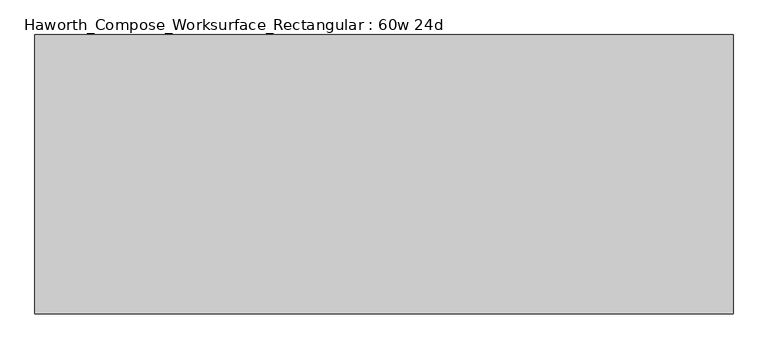
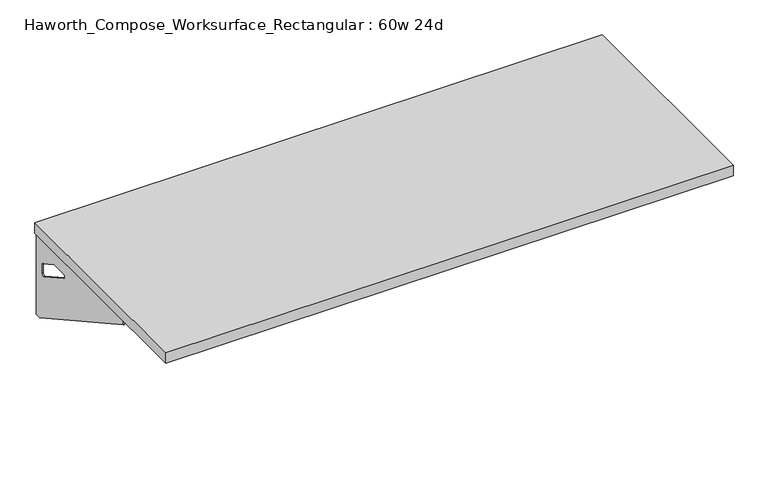
"""IFC4 building model written with IfcOpenShell, lengths in millimetres: furniture geometry, Haworth_Compose_Worksurface_Rectangular : 60w 24d."""

import ifcopenshell
import ifcopenshell.guid

model = None  # the IFC model being written
_history = None  # IfcOwnerHistory: only IFC2X3 demands one
_inside = {}  # id of a spatial element -> (the spatial element, [elements in it])
_under = {}  # id of a project, library or spatial element -> (it, [spatial elements below it])
_declared = {}  # id of a project -> (the project, [libraries it declares])
_typed = {}  # id of a type object -> (the type object, [elements of that type])
_made_of = {}  # id of a material, layer set ... -> (it, [elements and type objects made of it])


def new_model(schema):
    """Start an empty IFC model of exactly this schema.

    Asked for "IFC4X3", IfcOpenShell would pick the latest addendum, in which some entities
    have other attributes; the version numbers below select the first issue.
    IFC2X3 requires an IfcOwnerHistory on every rooted entity: one is made here for all.
    """
    global model, _history
    if schema == "IFC4X3":
        model = ifcopenshell.file(schema_version=(4, 3, 0, 0))
    else:
        model = ifcopenshell.file(schema=schema)
    _inside.clear()
    _under.clear()
    _declared.clear()
    _typed.clear()
    _made_of.clear()
    _history = None
    if model.schema == "IFC2X3":
        org = make("IfcOrganization", Name="unknown")
        user = make(
            "IfcPersonAndOrganization",
            ThePerson=make("IfcPerson", FamilyName="unknown"),
            TheOrganization=org,
        )
        app = make(
            "IfcApplication",
            ApplicationDeveloper=org,
            Version="unknown",
            ApplicationFullName="unknown",
            ApplicationIdentifier="unknown",
        )
        _history = make(
            "IfcOwnerHistory",
            OwningUser=user,
            OwningApplication=app,
            ChangeAction="ADDED",
            CreationDate=0,
        )
    return model


def make(cls, **values):
    """One entity of the class cls with the attributes given. An attribute that is None is left unset."""
    return model.create_entity(
        cls, **{name: value for name, value in values.items() if value is not None}
    )


def rooted(cls, **values):
    """An entity with a GlobalId (a new one), such as an element, a storey or a relation."""
    return make(cls, GlobalId=ifcopenshell.guid.new(), OwnerHistory=_history, **values)


def si_unit(unit_type, name, prefix=None):
    """IfcSIUnit, for example si_unit("LENGTHUNIT", "METRE", prefix="MILLI")."""
    return make("IfcSIUnit", UnitType=unit_type, Prefix=prefix, Name=name)


def assignment(units):
    """IfcUnitAssignment: the units of a project."""
    return None if units is None else make("IfcUnitAssignment", Units=units)


def point(xyz):
    """IfcCartesianPoint."""
    return None if xyz is None else make("IfcCartesianPoint", Coordinates=xyz)


def direction(xyz):
    """IfcDirection."""
    return None if xyz is None else make("IfcDirection", DirectionRatios=xyz)


def frame(location, z_axis=None, x_axis=None):
    """IfcAxis2Placement3D, a coordinate frame: its origin and axes. An axis left out is left unset."""
    return make(
        "IfcAxis2Placement3D",
        Location=point(location),
        Axis=direction(z_axis),
        RefDirection=direction(x_axis),
    )


def origin():
    """The frame at (0, 0, 0) with its axes left unset."""
    return frame((0.0, 0.0, 0.0))


def place(relative_to, where):
    """IfcLocalPlacement: puts the frame where relative to a parent placement (None: the world)."""
    return make(
        "IfcLocalPlacement", PlacementRelTo=relative_to, RelativePlacement=where
    )


def context(
    kind, dimensions, precision=None, world=None, true_north=None, identifier=None
):
    """IfcGeometricRepresentationContext, for example the 3D "Model" context."""
    return make(
        "IfcGeometricRepresentationContext",
        ContextIdentifier=identifier,
        ContextType=kind,
        CoordinateSpaceDimension=dimensions,
        Precision=precision,
        WorldCoordinateSystem=world,
        TrueNorth=true_north,
    )


def project(units=None, contexts=None):
    """IfcProject with its units and contexts."""
    return rooted(
        "IfcProject",
        Name="project",
        RepresentationContexts=contexts,
        UnitsInContext=assignment(units),
    )


def spatial(cls, under=None, at=None, **own):
    """A site, building, storey or space (cls), placed at a placement, below another one or the project."""
    s = rooted(cls, ObjectPlacement=at, **own)
    if under is not None:
        _under.setdefault(under.id(), (under, []))[1].append(s)
    return s


def polyline(points):
    """IfcPolyline through the points."""
    return make("IfcPolyline", Points=[point(p) for p in points])


def circle_curve(where, radius):
    """IfcCircle in the frame where."""
    return make("IfcCircle", Position=where, Radius=radius)


def outline(outer, holes=None, kind="AREA"):
    """IfcArbitraryClosedProfileDef: a profile drawn as a closed curve; with holes, ...WithVoids."""
    if holes is None:
        return make("IfcArbitraryClosedProfileDef", ProfileType=kind, OuterCurve=outer)
    return make(
        "IfcArbitraryProfileDefWithVoids",
        ProfileType=kind,
        OuterCurve=outer,
        InnerCurves=holes,
    )


def extrude(swept, where, along, depth):
    """IfcExtrudedAreaSolid: the profile swept, set in the frame where, extruded along a direction by depth."""
    return make(
        "IfcExtrudedAreaSolid",
        SweptArea=swept,
        Position=where,
        ExtrudedDirection=direction(along),
        Depth=depth,
    )


def shape(context_of_items, identifier, shape_type, items):
    """IfcShapeRepresentation: the items that make up one representation, for example the "Body"."""
    return make(
        "IfcShapeRepresentation",
        ContextOfItems=context_of_items,
        RepresentationIdentifier=identifier,
        RepresentationType=shape_type,
        Items=items,
    )


def source(mapping_origin, context_of_items, identifier, shape_type, items):
    """IfcRepresentationMap: a shape defined once, which mapped items show again and again."""
    return make(
        "IfcRepresentationMap",
        MappingOrigin=mapping_origin,
        MappedRepresentation=shape(context_of_items, identifier, shape_type, items),
    )


def transform(
    local_origin,
    x_axis=None,
    y_axis=None,
    z_axis=None,
    scale=None,
    scale2=None,
    scale3=None,
    uniform=True,
):
    """IfcCartesianTransformationOperator3D, or its non-uniform kind. x_axis, y_axis, z_axis: its Axis1, 2, 3."""
    if uniform:
        return make(
            "IfcCartesianTransformationOperator3D",
            Axis1=direction(x_axis),
            Axis2=direction(y_axis),
            LocalOrigin=point(local_origin),
            Scale=scale,
            Axis3=direction(z_axis),
        )
    return make(
        "IfcCartesianTransformationOperator3DnonUniform",
        Axis1=direction(x_axis),
        Axis2=direction(y_axis),
        LocalOrigin=point(local_origin),
        Scale=scale,
        Axis3=direction(z_axis),
        Scale2=scale2,
        Scale3=scale3,
    )


def mapped(mapping_source, mapping_target):
    """IfcMappedItem: shows the shape of a source again, moved by a transform."""
    return make(
        "IfcMappedItem", MappingSource=mapping_source, MappingTarget=mapping_target
    )


def made_of(thing, what):
    """Note that an element or type object is made of a material, layer set ...; save() writes the relation."""
    if what is not None:
        _made_of.setdefault(what.id(), (what, []))[1].append(thing)
    return thing


def element(
    cls,
    number,
    at=None,
    inside=None,
    cuts=None,
    type_object=None,
    material=None,
    context=None,
    identifier="Body",
    shape_type=None,
    held_by="IfcProductDefinitionShape",
    body=None,
    shapes=None,
    **own,
):
    """One element of the class cls, such as IfcWall. Its Tag is "e" and its number.

    at: its placement. inside: the storey or other place that contains it. cuts: it is an
    opening in that element (IfcRelVoidsElement). A single representation is given by context,
    identifier, shape_type and body (its items); several are given by shapes. held_by: the class
    of the entity that holds the representations. save() writes the other relations.
    """
    e = rooted(cls, Tag="e%d" % number, ObjectPlacement=at, **own)
    if body is not None:
        shapes = [shape(context, identifier, shape_type, body)]
    if shapes is not None:
        e.Representation = make(held_by, Representations=shapes)
    if inside is not None:
        _inside.setdefault(inside.id(), (inside, []))[1].append(e)
    if cuts is not None:
        rooted(
            "IfcRelVoidsElement", RelatingBuildingElement=cuts, RelatedOpeningElement=e
        )
    if type_object is not None:
        _typed.setdefault(type_object.id(), (type_object, []))[1].append(e)
    return made_of(e, material)


def aggregate(whole, parts):
    """IfcRelAggregates: a whole, such as a stair, and the parts it consists of."""
    return rooted("IfcRelAggregates", RelatingObject=whole, RelatedObjects=parts)


def save(model, path):
    """Write the relations noted so far, then the file.

    IfcRelAggregates (storeys below a building ...), IfcRelContainedInSpatialStructure (elements
    in a storey), IfcRelDefinesByType, IfcRelAssociatesMaterial and IfcRelDeclares: one each for
    every whole, place, type object, material and project.
    """
    for whole, parts in _under.values():
        aggregate(whole, parts)
    for where, things in _inside.values():
        rooted(
            "IfcRelContainedInSpatialStructure",
            RelatedElements=things,
            RelatingStructure=where,
        )
    for kind, things in _typed.values():
        rooted("IfcRelDefinesByType", RelatedObjects=things, RelatingType=kind)
    for what, things in _made_of.values():
        rooted("IfcRelAssociatesMaterial", RelatedObjects=things, RelatingMaterial=what)
    for by, libraries in _declared.values():
        rooted("IfcRelDeclares", RelatingContext=by, RelatedDefinitions=libraries)
    model.write(path)


def plane_surface(at):
    """IfcPlane: the flat surface through the origin of the frame at, square to its z axis."""
    return make("IfcPlane", Position=at)


def revolved_surface(curve, axis_point, axis_direction):
    """IfcSurfaceOfRevolution: the curve turned about the line through axis_point along axis_direction."""
    return make(
        "IfcSurfaceOfRevolution",
        SweptCurve=make("IfcArbitraryOpenProfileDef", ProfileType="CURVE", Curve=curve),
        AxisPosition=make("IfcAxis1Placement", Location=point(axis_point), Axis=direction(axis_direction)),
    )


def advanced_brep(points, edges, surfaces, faces):
    """IfcAdvancedBrep: a solid bounded by faces that lie on surfaces and meet in shared edges.

    An edge is (start, end): straight between two places in points (the first is 0);
    or (start, end, curve); or (start, end, curve, False) where it runs against its curve.
    A face is (place in surfaces, loops), or (place, loops, False) where it looks against
    its surface's normal. A loop lists edges by number (the first is 1), with a minus sign
    where the edge is run from its end to its start. The first loop is the outer one.
    """
    corners = [point(p) for p in points]
    vertices = [make("IfcVertexPoint", VertexGeometry=c) for c in corners]
    made = []
    for start, end, *more in edges:
        made.append(
            make(
                "IfcEdgeCurve",
                EdgeStart=vertices[start],
                EdgeEnd=vertices[end],
                EdgeGeometry=more[0] if more else make("IfcPolyline", Points=[corners[start], corners[end]]),
                SameSense=more[1] if len(more) > 1 else True,
            )
        )
    hull = []
    for where, loops, *sense in faces:
        bounds = []
        for j, loop in enumerate(loops):
            ring = [make("IfcOrientedEdge", EdgeElement=made[abs(k) - 1], Orientation=k > 0) for k in loop]
            bounds.append(
                make(
                    "IfcFaceOuterBound" if j == 0 else "IfcFaceBound",
                    Bound=make("IfcEdgeLoop", EdgeList=ring),
                    Orientation=True,
                )
            )
        hull.append(make("IfcAdvancedFace", Bounds=bounds, FaceSurface=surfaces[where], SameSense=sense[0] if sense else True))
    return make("IfcAdvancedBrep", Outer=make("IfcClosedShell", CfsFaces=hull))


def haworth_compose_worksurface_rectangular_60w_24d_0b57eea2(model_context):
    return source(origin(), model_context, "Body", "SolidModel", [
        advanced_brep(
        [(756.44375, 304.8, 475.45625), (756.44375, 288.925, 475.45625), (756.44375, -101.6, 691.7192568), (756.44375, -101.6, 704.05625), (756.44375, 288.925, 704.05625), (756.44375, 304.8, 704.05625), (756.44375, 221.490072, 665.95625), (756.44375, 177.8355284, 665.95625), (756.44375, 175.1564235, 656.3705539), (756.44375, 266.8776173, 605.5776439), (756.44375, 276.225, 611.1756969), (756.44375, 276.225, 634.6860246), (756.44375, 274.4730055, 637.5242776), (756.44375, 224.5663437, 665.1613425), (758.825, 304.8, 475.45625), (758.825, 304.8, 704.05625), (758.825, 288.925, 704.05625), (758.825, 288.925, 706.4375), (758.825, -101.6, 706.4375), (758.825, -101.6, 691.7192568), (758.825, 288.925, 475.45625), (758.825, 221.490072, 665.95625), (758.825, 224.5663437, 665.1613425), (758.825, 274.4730055, 637.5242776), (758.825, 276.225, 634.6860246), (758.825, 276.225, 611.1756969), (758.825, 266.8776173, 605.5776439), (758.825, 175.1564235, 656.3705539), (758.825, 177.8355284, 665.95625), (717.55, -101.6, 706.4375), (717.55, -101.6, 704.05625), (717.55, 288.925, 704.05625), (717.55, 288.925, 706.4375)],
        [
            (0, 1),
            (1, 2),
            (2, 3),
            (3, 4),
            (4, 5),
            (5, 0),
            (6, 7),
            (7, 8, circle_curve(frame((756.44375, 177.8355284, 660.7890106), z_axis=(1.0, 0.0, 0.0), x_axis=(0.0, -1.0, 0.0)), 5.1672394)),
            (8, 9),
            (9, 10, circle_curve(frame((756.44375, 269.875, 611.1756969), z_axis=(1.0, 0.0, 0.0), x_axis=(0.0, -1.0, 0.0)), 6.35)),
            (10, 11),
            (11, 12, circle_curve(frame((756.44375, 273.05, 634.6860246), z_axis=(1.0, 0.0, 0.0), x_axis=(0.0, -1.0, 0.0)), 3.175)),
            (12, 13),
            (13, 6, circle_curve(frame((756.44375, 221.490072, 659.60625), z_axis=(1.0, 0.0, 0.0), x_axis=(0.0, -1.0, 0.0)), 6.35)),
            (14, 15),
            (15, 16),
            (16, 17),
            (17, 18),
            (18, 19),
            (19, 20),
            (20, 14),
            (21, 22, circle_curve(frame((758.825, 221.490072, 659.60625), z_axis=(-1.0, 0.0, 0.0), x_axis=(0.0, -1.0, 0.0)), 6.35)),
            (22, 23),
            (23, 24, circle_curve(frame((758.825, 273.05, 634.6860246), z_axis=(-1.0, 0.0, 0.0), x_axis=(0.0, -1.0, 0.0)), 3.175)),
            (24, 25),
            (25, 26, circle_curve(frame((758.825, 269.875, 611.1756969), z_axis=(-1.0, 0.0, 0.0), x_axis=(0.0, -1.0, 0.0)), 6.35)),
            (26, 27),
            (27, 28, circle_curve(frame((758.825, 177.8355284, 660.7890106), z_axis=(-1.0, 0.0, 0.0), x_axis=(0.0, -1.0, 0.0)), 5.1672394)),
            (28, 21),
            (4, 16),
            (15, 5),
            (14, 0),
            (20, 1),
            (19, 2),
            (18, 29),
            (29, 30),
            (30, 3),
            (6, 21),
            (28, 7),
            (9, 26),
            (25, 10),
            (24, 11),
            (23, 12),
            (27, 8),
            (31, 4),
            (30, 31),
            (32, 29),
            (17, 32),
            (31, 32),
            (22, 13),
        ],
        [
            plane_surface(frame((756.44375, 304.8, 475.45625), z_axis=(-1.0, 0.0, 0.0), x_axis=(0.0, 1.0, 0.0))),
            plane_surface(frame((758.825, 304.8, 475.45625), z_axis=(1.0, 0.0, 0.0), x_axis=(0.0, -1.0, 0.0))),
            plane_surface(frame((758.825, -101.6, 704.05625), z_axis=(0.0, 0.0, 1.0), x_axis=(-1.0, 0.0, 0.0))),
            plane_surface(frame((758.825, 304.8, 704.05625), z_axis=(0.0, 1.0, 0.0), x_axis=(-1.0, 0.0, 0.0))),
            plane_surface(frame((758.825, 304.8, 475.45625), z_axis=(0.0, 0.0, -1.0), x_axis=(-1.0, 0.0, 0.0))),
            plane_surface(frame((758.825, 288.925, 475.45625), z_axis=(0.0, -0.48445223513455843, -0.8748177135112952), x_axis=(-1.0, 0.0, 0.0))),
            plane_surface(frame((758.825, -101.6, 691.7192568), z_axis=(0.0, -1.0, 0.0), x_axis=(-1.0, 0.0, 0.0))),
            plane_surface(frame((758.825, 221.490072, 665.95625), z_axis=(0.0, 0.0, -1.0), x_axis=(-1.0, 0.0, 0.0))),
            revolved_surface(polyline([(756.44375, 263.525, 611.1756969), (758.825, 263.525, 611.1756969)]), (758.825, 269.875, 611.1756969), (-1.0, 0.0, 0.0)),
            plane_surface(frame((758.825, 276.225, 611.1756969), z_axis=(0.0, -1.0, 0.0), x_axis=(-1.0, 0.0, 0.0))),
            revolved_surface(polyline([(756.44375, 269.875, 634.6860246), (758.825, 269.875, 634.6860246)]), (758.825, 273.05, 634.6860246), (-1.0, 0.0, 0.0)),
            revolved_surface(polyline([(756.44375, 172.668289, 660.7890106), (758.825, 172.668289, 660.7890106)]), (758.825, 177.8355284, 660.7890106), (-1.0, 0.0, 0.0)),
            plane_surface(frame((758.825, 288.925, 704.05625), z_axis=(0.0, 0.0, -1.0), x_axis=(-1.0, 0.0, 0.0))),
            plane_surface(frame((758.825, 288.925, 706.4375), z_axis=(0.0, 0.0, 1.0), x_axis=(1.0, 0.0, 0.0))),
            plane_surface(frame((717.55, 288.925, 706.4375), z_axis=(0.0, 1.0, 0.0), x_axis=(0.0, 0.0, -1.0))),
            plane_surface(frame((717.55, -101.6, 706.4375), z_axis=(-1.0, 0.0, 0.0), x_axis=(0.0, 0.0, -1.0))),
            plane_surface(frame((758.825, 175.1564235, 656.3705539), z_axis=(0.0, 0.4844522351345583, 0.8748177135112953), x_axis=(-1.0, 0.0, 0.0))),
            plane_surface(frame((758.825, 274.4730055, 637.5242776), z_axis=(0.0, -0.4844522351345582, -0.8748177135112953), x_axis=(-1.0, 0.0, 0.0))),
            revolved_surface(polyline([(756.44375, 215.140072, 659.60625), (758.825, 215.140072, 659.60625)]), (758.825, 221.490072, 659.60625), (-1.0, 0.0, 0.0)),
        ],
        [
            (0, [[1, 2, 3, 4, 5, 6], [7, 8, 9, 10, 11, 12, 13, 14]]),
            (1, [[15, 16, 17, 18, 19, 20, 21], [22, 23, 24, 25, 26, 27, 28, 29]]),
            (2, [[-5, 30, -16, 31]]),
            (3, [[-31, -15, 32, -6]]),
            (4, [[-32, -21, 33, -1]]),
            (5, [[-33, -20, 34, -2]]),
            (6, [[-34, -19, 35, 36, 37, -3]]),
            (7, [[38, -29, 39, -7]]),
            (8, [[40, -26, 41, -10]]),
            (9, [[-41, -25, 42, -11]]),
            (10, [[-42, -24, 43, -12]]),
            (11, [[-39, -28, 44, -8]]),
            (12, [[45, -4, -37, 46]]),
            (13, [[47, -35, -18, 48]]),
            (14, [[-17, -30, -45, 49, -48]]),
            (15, [[-36, -47, -49, -46]]),
            (16, [[-44, -27, -40, -9]]),
            (17, [[-43, -23, 50, -13]]),
            (18, [[-50, -22, -38, -14]]),
        ],
    ),
        advanced_brep(
        [(-756.44375, 304.8, 475.45625), (-756.44375, 304.8, 704.05625), (-756.44375, 288.925, 704.05625), (-756.44375, -101.6, 704.05625), (-756.44375, -101.6, 691.7192568), (-756.44375, 288.925, 475.45625), (-756.44375, 221.490072, 665.95625), (-756.44375, 224.5663437, 665.1613425), (-756.44375, 274.4730055, 637.5242776), (-756.44375, 276.225, 634.6860246), (-756.44375, 276.225, 611.1756969), (-756.44375, 266.8776173, 605.5776439), (-756.44375, 175.1564235, 656.3705539), (-756.44375, 177.8355284, 665.95625), (-758.825, 304.8, 475.45625), (-758.825, 288.925, 475.45625), (-758.825, -101.6, 691.7192568), (-758.825, -101.6, 706.4375), (-758.825, 288.925, 706.4375), (-758.825, 288.925, 704.05625), (-758.825, 304.8, 704.05625), (-758.825, 221.490072, 665.95625), (-758.825, 177.8355284, 665.95625), (-758.825, 175.1564235, 656.3705539), (-758.825, 266.8776173, 605.5776439), (-758.825, 276.225, 611.1756969), (-758.825, 276.225, 634.6860246), (-758.825, 274.4730055, 637.5242776), (-758.825, 224.5663437, 665.1613425), (-717.55, -101.6, 704.05625), (-717.55, -101.6, 706.4375), (-717.55, 288.925, 704.05625), (-717.55, 288.925, 706.4375)],
        [
            (0, 1),
            (1, 2),
            (2, 3),
            (3, 4),
            (4, 5),
            (5, 0),
            (6, 7, circle_curve(frame((-756.44375, 221.490072, 659.60625), z_axis=(-1.0, 0.0, 0.0), x_axis=(0.0, -1.0, 0.0)), 6.35)),
            (7, 8),
            (8, 9, circle_curve(frame((-756.44375, 273.05, 634.6860246), z_axis=(-1.0, 0.0, 0.0), x_axis=(0.0, -1.0, 0.0)), 3.175)),
            (9, 10),
            (10, 11, circle_curve(frame((-756.44375, 269.875, 611.1756969), z_axis=(-1.0, 0.0, 0.0), x_axis=(0.0, -1.0, 0.0)), 6.35)),
            (11, 12),
            (12, 13, circle_curve(frame((-756.44375, 177.8355284, 660.7890106), z_axis=(-1.0, 0.0, 0.0), x_axis=(0.0, -1.0, 0.0)), 5.1672394)),
            (13, 6),
            (14, 15),
            (15, 16),
            (16, 17),
            (17, 18),
            (18, 19),
            (19, 20),
            (20, 14),
            (21, 22),
            (22, 23, circle_curve(frame((-758.825, 177.8355284, 660.7890106), z_axis=(1.0, 0.0, 0.0), x_axis=(0.0, -1.0, 0.0)), 5.1672394)),
            (23, 24),
            (24, 25, circle_curve(frame((-758.825, 269.875, 611.1756969), z_axis=(1.0, 0.0, 0.0), x_axis=(0.0, -1.0, 0.0)), 6.35)),
            (25, 26),
            (26, 27, circle_curve(frame((-758.825, 273.05, 634.6860246), z_axis=(1.0, 0.0, 0.0), x_axis=(0.0, -1.0, 0.0)), 3.175)),
            (27, 28),
            (28, 21, circle_curve(frame((-758.825, 221.490072, 659.60625), z_axis=(1.0, 0.0, 0.0), x_axis=(0.0, -1.0, 0.0)), 6.35)),
            (1, 20),
            (19, 2),
            (0, 14),
            (5, 15),
            (4, 16),
            (3, 29),
            (29, 30),
            (30, 17),
            (13, 22),
            (21, 6),
            (10, 25),
            (24, 11),
            (9, 26),
            (8, 27),
            (12, 23),
            (31, 29),
            (2, 31),
            (32, 18),
            (30, 32),
            (32, 31),
            (7, 28),
        ],
        [
            plane_surface(frame((-756.44375, 304.8, 475.45625), z_axis=(1.0, 0.0, 0.0), x_axis=(0.0, 1.0, 0.0))),
            plane_surface(frame((-758.825, 304.8, 475.45625), z_axis=(-1.0, 0.0, 0.0), x_axis=(0.0, -1.0, 0.0))),
            plane_surface(frame((-758.825, -101.6, 704.05625), z_axis=(0.0, 0.0, 1.0), x_axis=(1.0, 0.0, 0.0))),
            plane_surface(frame((-758.825, 304.8, 704.05625), z_axis=(0.0, 1.0, 0.0), x_axis=(1.0, 0.0, 0.0))),
            plane_surface(frame((-758.825, 304.8, 475.45625), z_axis=(0.0, 0.0, -1.0), x_axis=(1.0, 0.0, 0.0))),
            plane_surface(frame((-758.825, 288.925, 475.45625), z_axis=(0.0, -0.48445223513455843, -0.8748177135112952), x_axis=(1.0, 0.0, 0.0))),
            plane_surface(frame((-758.825, -101.6, 691.7192568), z_axis=(0.0, -1.0, 0.0), x_axis=(1.0, 0.0, 0.0))),
            plane_surface(frame((-758.825, 221.490072, 665.95625), z_axis=(0.0, 0.0, -1.0), x_axis=(1.0, 0.0, 0.0))),
            revolved_surface(polyline([(-756.44375, 263.525, 611.1756969), (-758.825, 263.525, 611.1756969)]), (-758.825, 269.875, 611.1756969), (1.0, 0.0, 0.0)),
            plane_surface(frame((-758.825, 276.225, 611.1756969), z_axis=(0.0, -1.0, 0.0), x_axis=(1.0, 0.0, 0.0))),
            revolved_surface(polyline([(-756.44375, 269.875, 634.6860246), (-758.825, 269.875, 634.6860246)]), (-758.825, 273.05, 634.6860246), (1.0, 0.0, 0.0)),
            revolved_surface(polyline([(-756.44375, 172.668289, 660.7890106), (-758.825, 172.668289, 660.7890106)]), (-758.825, 177.8355284, 660.7890106), (1.0, 0.0, 0.0)),
            plane_surface(frame((-758.825, 288.925, 704.05625), z_axis=(0.0, 0.0, -1.0), x_axis=(1.0, 0.0, 0.0))),
            plane_surface(frame((-758.825, 288.925, 706.4375), z_axis=(0.0, 0.0, 1.0), x_axis=(-1.0, 0.0, 0.0))),
            plane_surface(frame((-717.55, 288.925, 706.4375), z_axis=(0.0, 1.0, 0.0), x_axis=(0.0, 0.0, -1.0))),
            plane_surface(frame((-717.55, -101.6, 706.4375), z_axis=(1.0, 0.0, 0.0), x_axis=(0.0, 0.0, -1.0))),
            plane_surface(frame((-758.825, 175.1564235, 656.3705539), z_axis=(0.0, 0.4844522351345583, 0.8748177135112953), x_axis=(1.0, 0.0, 0.0))),
            plane_surface(frame((-758.825, 274.4730055, 637.5242776), z_axis=(0.0, -0.4844522351345582, -0.8748177135112953), x_axis=(1.0, 0.0, 0.0))),
            revolved_surface(polyline([(-756.44375, 215.140072, 659.60625), (-758.825, 215.140072, 659.60625)]), (-758.825, 221.490072, 659.60625), (1.0, 0.0, 0.0)),
        ],
        [
            (0, [[1, 2, 3, 4, 5, 6], [7, 8, 9, 10, 11, 12, 13, 14]]),
            (1, [[15, 16, 17, 18, 19, 20, 21], [22, 23, 24, 25, 26, 27, 28, 29]]),
            (2, [[30, -20, 31, -2]]),
            (3, [[-1, 32, -21, -30]]),
            (4, [[-6, 33, -15, -32]]),
            (5, [[-5, 34, -16, -33]]),
            (6, [[-4, 35, 36, 37, -17, -34]]),
            (7, [[-14, 38, -22, 39]]),
            (8, [[-11, 40, -25, 41]]),
            (9, [[-10, 42, -26, -40]]),
            (10, [[-9, 43, -27, -42]]),
            (11, [[-13, 44, -23, -38]]),
            (12, [[45, -35, -3, 46]]),
            (13, [[47, -18, -37, 48]]),
            (14, [[-47, 49, -46, -31, -19]]),
            (15, [[-45, -49, -48, -36]]),
            (16, [[-12, -41, -24, -44]]),
            (17, [[-8, 50, -28, -43]]),
            (18, [[-7, -39, -29, -50]]),
        ],
    ),
        extrude(outline(polyline([(762.0, 304.8), (762.0, -304.8), (-762.0, -304.8), (-762.0, 304.8), (762.0, 304.8)])), frame((0.0, 0.0, 706.4375), z_axis=(0.0, 0.0, 1.0), x_axis=(1.0, 0.0, 0.0)), (0.0, 0.0, 1.0), 30.1625),
    ])


if __name__ == "__main__":
    model = new_model("IFC4")
    model_context = context("Model", 3, world=origin())
    ifc_project = project(units=[si_unit("LENGTHUNIT", "METRE", prefix="MILLI")], contexts=[model_context])
    site = spatial("IfcSite", under=ifc_project)
    building = spatial("IfcBuilding", under=site)
    placement = place(None, origin())
    haworth_compose_worksurface_rectangular_60w_24d_shape = haworth_compose_worksurface_rectangular_60w_24d_0b57eea2(model_context)
    element("IfcFurniture", 1, ObjectType="Haworth_Compose_Worksurface_Rectangular : 60w 24d", at=placement, inside=building, context=model_context, shape_type="MappedRepresentation", body=[
        mapped(haworth_compose_worksurface_rectangular_60w_24d_shape, transform((0.0, 0.0, 0.0), x_axis=(1.0, 0.0, 0.0), y_axis=(0.0, 1.0, 0.0), z_axis=(0.0, 0.0, 1.0))),
    ])
    save(model, "model.ifc")
